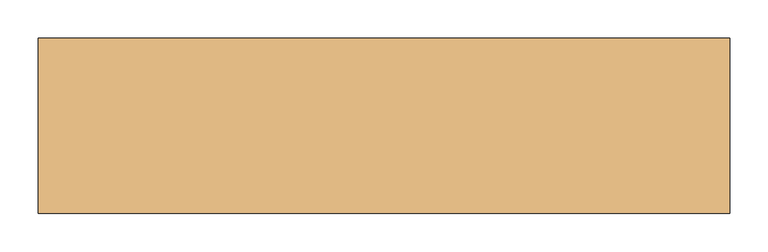
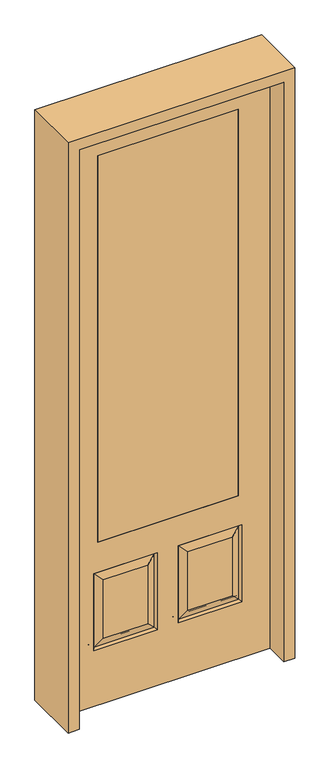
"""IFC4 building model written with IfcOpenShell, lengths in millimetres: door geometry."""

from ifc_helpers import new_model, si_unit, frame, origin, place, context, project, spatial, polyline, outline, extrude, faceted_brep, source, transform, mapped, element, save


def door_b5c750b5(model_context):
    return source(origin(), model_context, "Body", "SolidModel", [
        faceted_brep([(279.4, 20.6375, 685.8), (279.4, -20.6375, 685.8), (279.4, -20.6375, 2311.4), (279.4, 20.6375, 2311.4), (-279.4, 20.6375, 685.8), (-279.4, -20.6375, 685.8), (-80.1727627, 20.6375, 273.8477627), (-256.3772373, 20.6375, 273.8477627), (-256.3772373, 20.6375, 520.4102373), (-80.1727627, 20.6375, 520.4102373), (256.3772373, 20.6375, 273.8477627), (80.1727627, 20.6375, 273.8477627), (80.1727627, 20.6375, 520.4102373), (256.3772373, 20.6375, 520.4102373), (-406.4, 20.6375, 2438.4), (406.4, 20.6375, 2438.4), (406.4, 20.6375, 0.0), (-406.4, 20.6375, 0.0), (-279.4, 20.6375, 2311.4), (-295.275, 20.6375, 234.95), (-41.275, 20.6375, 234.95), (-41.275, 20.6375, 559.308), (-295.275, 20.6375, 559.308), (41.275, 20.6375, 234.95), (295.275, 20.6375, 234.95), (295.275, 20.6375, 559.308), (41.275, 20.6375, 559.308), (-279.4, -20.6375, 2311.4), (80.1727627, -20.6375, 273.8477627), (256.3772373, -20.6375, 273.8477627), (256.3772373, -20.6375, 520.4102373), (80.1727627, -20.6375, 520.4102373), (-256.3772373, -20.6375, 273.8477627), (-80.1727627, -20.6375, 273.8477627), (-80.1727627, -20.6375, 520.4102373), (-256.3772373, -20.6375, 520.4102373), (406.4, -20.6375, 2438.4), (-406.4, -20.6375, 2438.4), (-406.4, -20.6375, 0.0), (406.4, -20.6375, 0.0), (295.275, -20.6375, 234.95), (41.275, -20.6375, 234.95), (41.275, -20.6375, 559.308), (295.275, -20.6375, 559.308), (-41.275, -20.6375, 234.95), (-295.275, -20.6375, 234.95), (-295.275, -20.6375, 559.308), (-41.275, -20.6375, 559.308), (-287.8714647, 11.4399763, 242.3535353), (-48.6785353, 11.4399763, 242.3535353), (-48.6785353, 11.4399763, 551.9044647), (-287.8714647, 11.4399763, 551.9044647), (48.6785353, 11.4399763, 242.3535353), (287.8714647, 11.4399763, 242.3535353), (287.8714647, 11.4399763, 551.9044647), (48.6785353, 11.4399763, 551.9044647), (287.8714647, -11.4399763, 242.3535353), (48.6785353, -11.4399763, 242.3535353), (48.6785353, -11.4399763, 551.9044647), (287.8714647, -11.4399763, 551.9044647), (-48.6785353, -11.4399763, 242.3535353), (-287.8714647, -11.4399763, 242.3535353), (-287.8714647, -11.4399763, 551.9044647), (-48.6785353, -11.4399763, 551.9044647)], [[[0, 1, 2, 3]], [[1, 0, 4, 5]], [[6, 7, 8, 9]], [[10, 11, 12, 13]], [[14, 15, 16, 17], [4, 0, 3, 18], [19, 20, 21, 22], [23, 24, 25, 26]], [[5, 4, 18, 27]], [[28, 29, 30, 31]], [[32, 33, 34, 35]], [[36, 37, 38, 39], [1, 5, 27, 2], [40, 41, 42, 43], [44, 45, 46, 47]], [[39, 38, 17, 16]], [[37, 14, 17, 38]], [[15, 36, 39, 16]], [[19, 48, 49, 20]], [[20, 49, 50, 21]], [[51, 22, 21, 50]], [[48, 19, 22, 51]], [[49, 48, 7, 6]], [[7, 48, 51, 8]], [[8, 51, 50, 9]], [[49, 6, 9, 50]], [[52, 53, 24, 23]], [[24, 53, 54, 25]], [[25, 54, 55, 26]], [[52, 23, 26, 55]], [[53, 52, 11, 10]], [[11, 52, 55, 12]], [[54, 13, 12, 55]], [[53, 10, 13, 54]], [[40, 56, 57, 41]], [[41, 57, 58, 42]], [[59, 43, 42, 58]], [[56, 40, 43, 59]], [[57, 56, 29, 28]], [[29, 56, 59, 30]], [[30, 59, 58, 31]], [[57, 28, 31, 58]], [[60, 61, 45, 44]], [[45, 61, 62, 46]], [[46, 62, 63, 47]], [[60, 44, 47, 63]], [[61, 60, 33, 32]], [[33, 60, 63, 34]], [[62, 35, 34, 63]], [[61, 32, 35, 62]], [[3, 2, 27, 18]], [[36, 15, 14, 37]]]),
        extrude(outline(polyline([(279.4, -20.6375), (-279.4, -20.6375), (-279.4, 20.6375), (279.4, 20.6375), (279.4, -20.6375)])), frame((0.0, 0.0, 685.8), z_axis=(0.0, 0.0, 1.0), x_axis=(1.0, 0.0, 0.0)), (0.0, 0.0, 1.0), 1625.6),
        extrude(outline(polyline([(2482.85, -450.85), (0.0, -450.85), (0.0, -406.4), (2438.4, -406.4), (2438.4, 406.4), (0.0, 406.4), (0.0, 450.85), (2482.85, 450.85), (2482.85, -450.85)])), frame((0.0, -114.3, 0.0), z_axis=(0.0, 1.0, 0.0), x_axis=(0.0, 0.0, 1.0)), (0.0, 0.0, 1.0), 228.6),
    ])


if __name__ == "__main__":
    model = new_model("IFC4")
    model_context = context("Model", 3, world=origin())
    ifc_project = project(units=[si_unit("LENGTHUNIT", "METRE", prefix="MILLI")], contexts=[model_context])
    site = spatial("IfcSite", under=ifc_project)
    building = spatial("IfcBuilding", under=site)
    placement = place(None, origin())
    door_shape = door_b5c750b5(model_context)
    element("IfcDoor", 1, at=placement, inside=building, context=model_context, shape_type="MappedRepresentation", body=[
        mapped(door_shape, transform((0.0, 0.0, 0.0), x_axis=(1.0, 0.0, 0.0), y_axis=(0.0, 1.0, 0.0), z_axis=(0.0, 0.0, 1.0))),
    ])
    save(model, "model.ifc")
